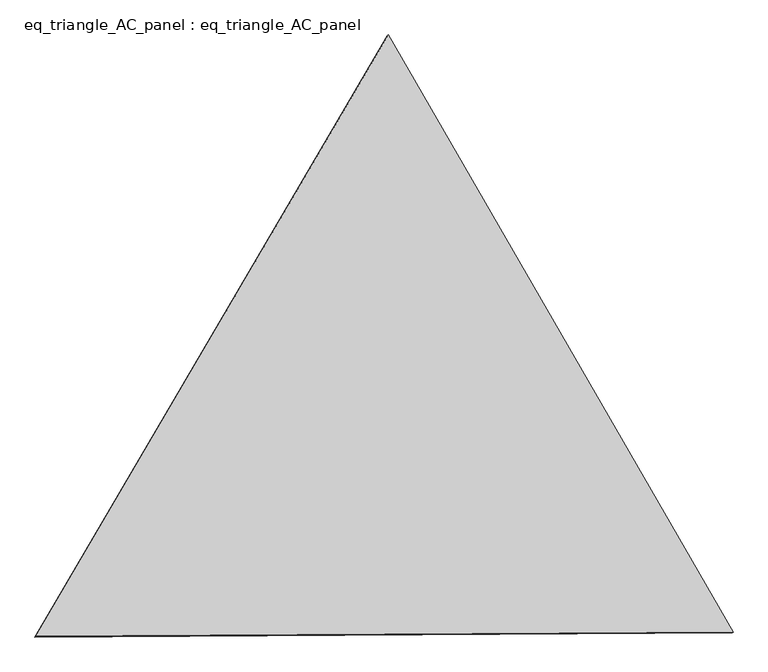
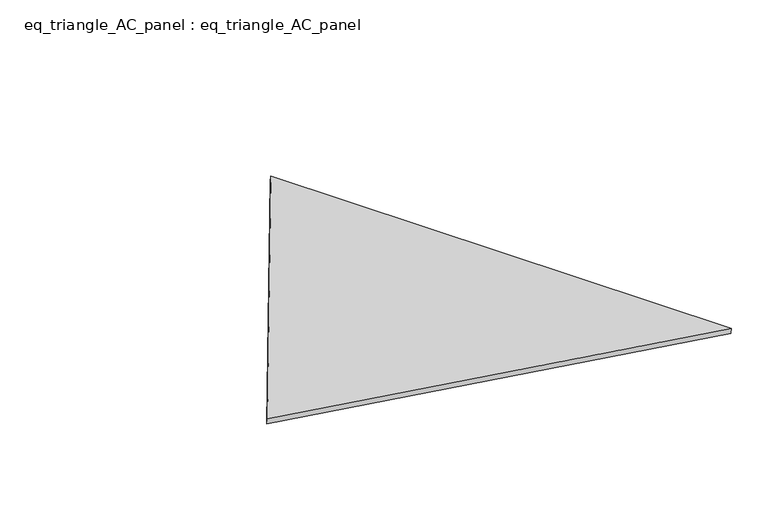
"""IFC4 building model written with IfcOpenShell, lengths in millimetres: proxy geometry, eq_triangle_AC_panel : eq_triangle_AC_panel."""

from ifc_helpers import new_model, si_unit, frame, origin, place, context, project, spatial, polyline, outline, extrude, source, transform, mapped, element, save


def eq_triangle_ac_panel_eq_triangle_ac_panel_553fd377(model_context):
    return source(origin(), model_context, "Body", "SweptSolid", [
        extrude(outline(polyline([(-2017.7197593, 1198.9436382), (2017.7351241, 1198.9436382), (-0.015365, -2397.8872764), (-2017.7197593, 1198.9436382)])), frame((0.0038051, 527.9290861, 89.8240019), z_axis=(0.14526328517924056, 0.08386570281724735, 0.985832197622853), x_axis=(0.5000082403364514, -0.8660206461647924, -3.4584619120946046e-06)), (0.0, 0.0, 1.0), 43.8306294),
    ])


if __name__ == "__main__":
    model = new_model("IFC4")
    model_context = context("Model", 3, world=origin())
    ifc_project = project(units=[si_unit("LENGTHUNIT", "METRE", prefix="MILLI")], contexts=[model_context])
    site = spatial("IfcSite", under=ifc_project)
    building = spatial("IfcBuilding", under=site)
    placement = place(None, origin())
    eq_triangle_ac_panel_eq_triangle_ac_panel_shape = eq_triangle_ac_panel_eq_triangle_ac_panel_553fd377(model_context)
    element("IfcBuildingElementProxy", 1, Name="eq_triangle_AC_panel : eq_triangle_AC_panel", ObjectType="eq_triangle_AC_panel : eq_triangle_AC_panel", at=placement, inside=building, context=model_context, shape_type="MappedRepresentation", body=[
        mapped(eq_triangle_ac_panel_eq_triangle_ac_panel_shape, transform((0.0, 0.0, 0.0), x_axis=(1.0, 0.0, 0.0), y_axis=(0.0, 1.0, 0.0), z_axis=(0.0, 0.0, 1.0))),
    ])
    save(model, "model.ifc")
